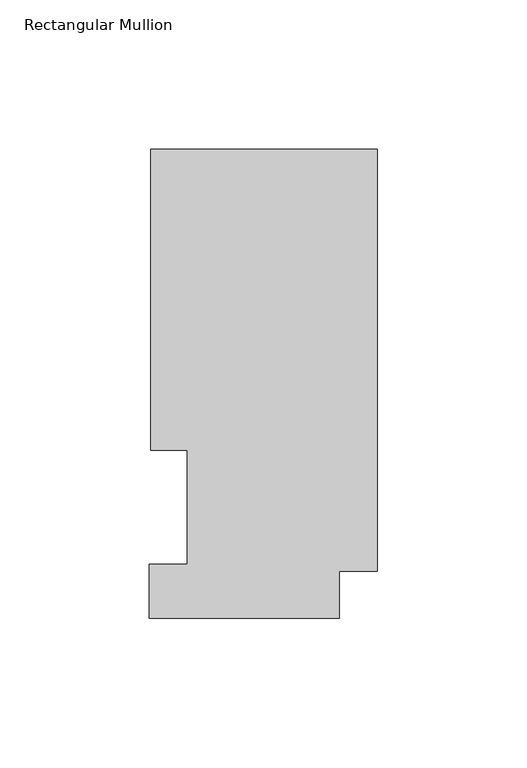
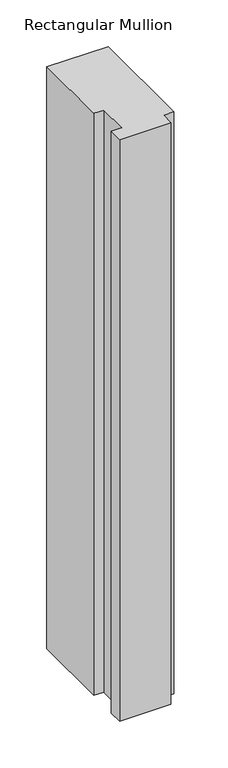
"""IFC4 building model written with IfcOpenShell, lengths in millimetres: member geometry, Rectangular Mullion."""

from ifc_helpers import new_model, si_unit, frame, origin, place, context, project, spatial, polyline, outline, extrude, source, transform, mapped, element, save


def rectangular_mullion_3b457e78(model_context):
    return source(origin(), model_context, "Body", "SweptSolid", [
        extrude(outline(polyline([(-75.7936, 157.3395063), (0.0, 157.3395063), (0.0, 16.1663063), (-12.7, 16.1663063), (-12.7, 0.5199063), (-76.2, 0.5199063), (-76.2, 18.5539063), (-63.5, 18.5539063), (-63.5, 56.6539063), (-75.7936, 56.6539063), (-75.7936, 157.3395063)])), frame((0.0, 0.0, -762.0), z_axis=(0.0, 0.0, 1.0), x_axis=(1.0, 0.0, 0.0)), (0.0, 0.0, 1.0), 762.0),
    ])


if __name__ == "__main__":
    model = new_model("IFC4")
    model_context = context("Model", 3, world=origin())
    ifc_project = project(units=[si_unit("LENGTHUNIT", "METRE", prefix="MILLI")], contexts=[model_context])
    site = spatial("IfcSite", under=ifc_project)
    building = spatial("IfcBuilding", under=site)
    placement = place(None, origin())
    rectangular_mullion_shape = rectangular_mullion_3b457e78(model_context)
    element("IfcMember", 1, ObjectType="Rectangular Mullion", at=placement, inside=building, context=model_context, shape_type="MappedRepresentation", body=[
        mapped(rectangular_mullion_shape, transform((0.0, 0.0, 0.0), x_axis=(1.0, 0.0, 0.0), y_axis=(0.0, 1.0, 0.0), z_axis=(0.0, 0.0, 1.0))),
    ])
    save(model, "model.ifc")
